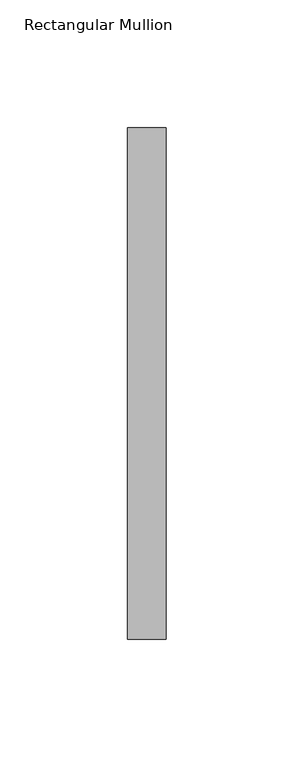
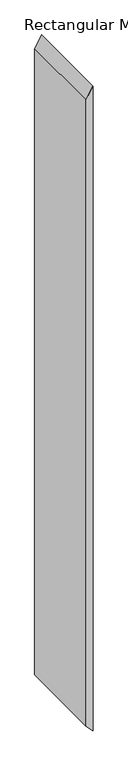
"""IFC4 building model written with IfcOpenShell, lengths in millimetres: member geometry, Rectangular Mullion."""

from ifc_helpers import new_model, si_unit, frame, origin, place, context, project, spatial, polyline, outline, extrude, source, transform, mapped, element, save


def rectangular_mullion_7c9a6307(model_context):
    return source(origin(), model_context, "Body", "SweptSolid", [
        extrude(outline(polyline([(0.0, 0.0), (-27.0890955, -15.0), (-1511.5934158, -15.0), (-1528.2429585, 0.0), (0.0, 0.0)])), frame((0.0, -253.0, 0.0), z_axis=(0.0, 1.0, 0.0), x_axis=(0.0, 0.0, 1.0)), (0.0, 0.0, 1.0), 200.0),
    ])


if __name__ == "__main__":
    model = new_model("IFC4")
    model_context = context("Model", 3, world=origin())
    ifc_project = project(units=[si_unit("LENGTHUNIT", "METRE", prefix="MILLI")], contexts=[model_context])
    site = spatial("IfcSite", under=ifc_project)
    building = spatial("IfcBuilding", under=site)
    placement = place(None, origin())
    rectangular_mullion_shape = rectangular_mullion_7c9a6307(model_context)
    element("IfcMember", 1, ObjectType="Rectangular Mullion", at=placement, inside=building, context=model_context, shape_type="MappedRepresentation", body=[
        mapped(rectangular_mullion_shape, transform((0.0, 0.0, 0.0), x_axis=(1.0, 0.0, 0.0), y_axis=(0.0, 1.0, 0.0), z_axis=(0.0, 0.0, 1.0))),
    ])
    save(model, "model.ifc")
